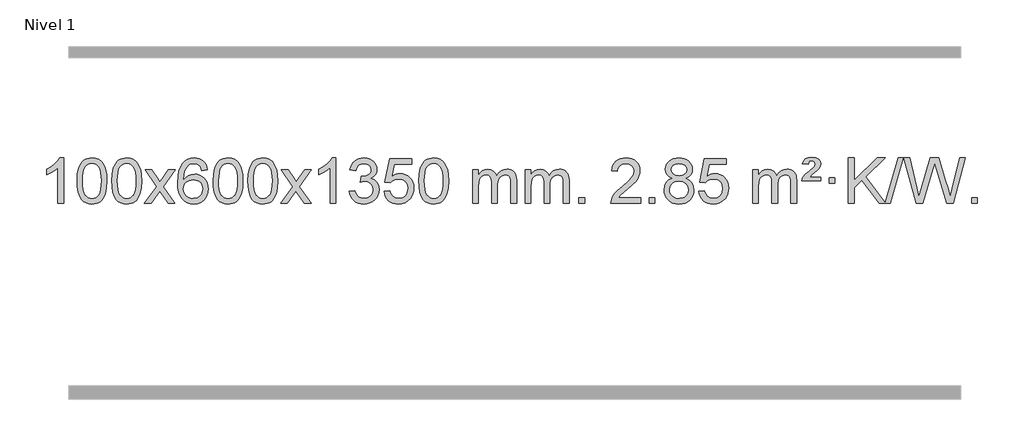
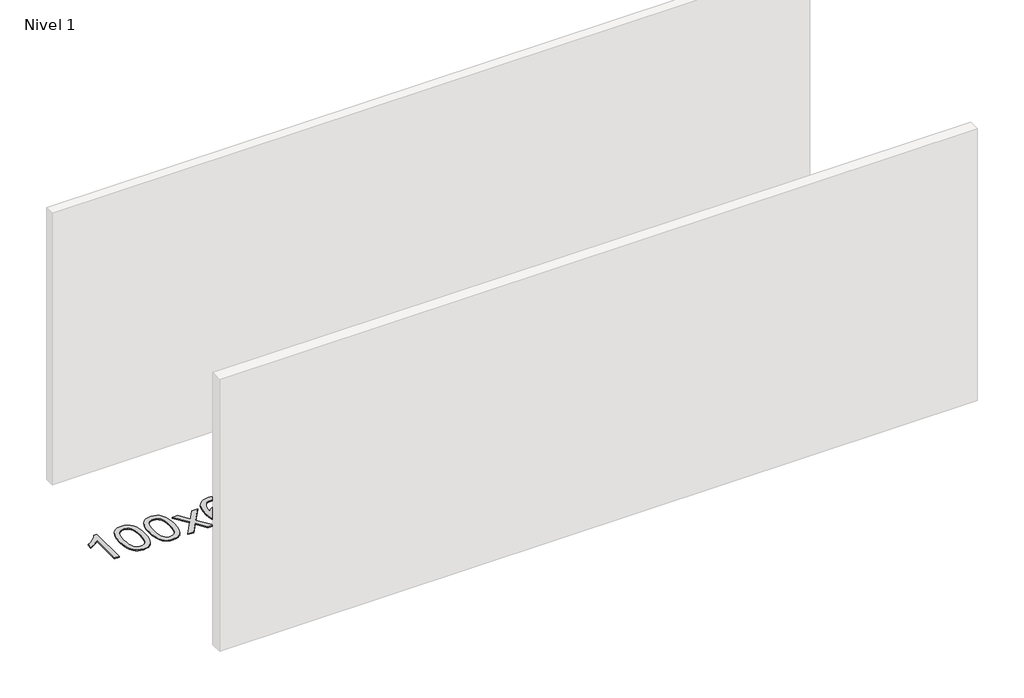
# One storey, part 4 of 9: 1 proxy.
"""IFC4 building model written with IfcOpenShell, lengths in millimetres."""

from ifc_helpers import new_model, si_unit, origin, origin_with_axes, place, context, project, spatial, polyline, outline, extrude, element, save

model = new_model("IFC4")

# Units and contexts
model_context = context("Model", 3, world=origin())
ifc_project = project(units=[si_unit("LENGTHUNIT", "METRE", prefix="MILLI")], contexts=[model_context])

# Site, building, storey
site = spatial("IfcSite", under=ifc_project)
building = spatial("IfcBuilding", under=site)
storey = spatial("IfcBuildingStorey", under=building, Name="Nivel 1", Elevation=0.0)

# Proxy
placement = place(None, origin())
element("IfcBuildingElementProxy", 1, Name="Texto de modelo 1", ObjectType="Texto de modelo 1", at=placement, inside=storey, context=model_context, shape_type="SweptSolid", body=[
    extrude(outline(polyline([(-6575.4615788, -12403.579453), (-6625.6897338, -12403.579453), (-6625.6897338, -12090.4382987), (-6646.6590076, -12107.3976587), (-6673.2691385, -12124.3324932), (-6726.146044, -12149.6918254), (-6726.146044, -12102.2105225), (-6686.6968314, -12080.7507395), (-6652.520594, -12055.219729), (-6625.5793692, -12028.0700378), (-6607.8351943, -12001.7542124), (-6575.4615788, -12001.7542124), (-6575.4615788, -12403.579453)])), origin_with_axes(), (0.0, 0.0, 1.0), 10.0),
    extrude(outline(polyline([(-6456.1697105, -12205.9041943), (-6452.4786278, -12141.5861588), (-6441.4053797, -12090.2911459), (-6423.0603309, -12051.2343407), (-6411.2022679, -12036.0009605), (-6397.5538459, -12023.6309284), (-6382.0690796, -12014.0598651), (-6364.7019837, -12007.2233914), (-6324.3208034, -12001.7542124), (-6293.3696649, -12004.991574), (-6265.6558879, -12014.7036586), (-6242.4793222, -12030.5103217), (-6225.1398175, -12052.0314184), (-6212.0432185, -12079.0830078), (-6201.5953698, -12111.4811488), (-6194.7527647, -12152.6226186), (-6192.4718963, -12205.9041943), (-6196.1261908, -12269.8543477), (-6207.0890743, -12321.0267333), (-6225.3237585, -12360.1203266), (-6237.1542303, -12375.3996922), (-6250.7934553, -12387.8341036), (-6266.2966157, -12397.4695462), (-6283.7188939, -12404.3520052), (-6324.3208034, -12409.8579724), (-6351.9855294, -12407.4667394), (-6376.5109958, -12400.2930405), (-6397.8972024, -12388.3368757), (-6416.1441494, -12371.5982449), (-6433.6553324, -12341.3399508), (-6446.1633202, -12303.6381776), (-6453.6681129, -12258.4929255), (-6456.1697105, -12205.9041943)]), holes=[polyline([(-6405.9415554, -12205.8060924), (-6404.4700274, -12249.4706195), (-6400.0554435, -12284.8148822), (-6392.6978036, -12311.8388804), (-6382.3971077, -12330.5426142), (-6369.9381708, -12343.2682656), (-6356.1058078, -12352.3580165), (-6340.9000186, -12357.8118671), (-6324.3208034, -12359.6298173), (-6307.7415881, -12357.8057357), (-6292.535799, -12352.3334911), (-6278.703436, -12343.2130833), (-6266.2444991, -12330.4445124), (-6255.9438032, -12311.7101217), (-6248.5861633, -12284.6922549), (-6244.1715794, -12249.3909118), (-6242.7000514, -12205.8060924), (-6244.1225284, -12163.2973278), (-6248.3899596, -12128.5753989), (-6255.5023448, -12101.6403055), (-6265.4596842, -12082.4920476), (-6277.7101546, -12069.1440625), (-6291.7019332, -12059.6097875), (-6307.4350198, -12053.8892225), (-6324.9094146, -12051.9823675), (-6341.4027907, -12053.6623619), (-6356.3510624, -12058.7023452), (-6369.7542298, -12067.1023175), (-6381.6122928, -12078.8622786), (-6392.2563452, -12099.708925), (-6399.8592397, -12127.8151094), (-6404.4209765, -12163.1808319), (-6405.9415554, -12205.8060924)])]), origin_with_axes(), (0.0, 0.0, 1.0), 10.0),
    extrude(outline(polyline([(-6148.5222606, -12205.9041943), (-6144.8311779, -12141.5861588), (-6133.7579299, -12090.2911459), (-6115.4128811, -12051.2343407), (-6103.5548181, -12036.0009605), (-6089.9063961, -12023.6309284), (-6074.4216298, -12014.0598651), (-6057.0545339, -12007.2233914), (-6016.6733536, -12001.7542124), (-5985.722215, -12004.991574), (-5958.0084381, -12014.7036586), (-5934.8318724, -12030.5103217), (-5917.4923677, -12052.0314184), (-5904.3957686, -12079.0830078), (-5893.94792, -12111.4811488), (-5887.1053149, -12152.6226186), (-5884.8244465, -12205.9041943), (-5888.478741, -12269.8543477), (-5899.4416244, -12321.0267333), (-5917.6763087, -12360.1203266), (-5929.5067805, -12375.3996922), (-5943.1460055, -12387.8341036), (-5958.6491659, -12397.4695462), (-5976.071444, -12404.3520052), (-6016.6733536, -12409.8579724), (-6044.3380796, -12407.4667394), (-6068.8635459, -12400.2930405), (-6090.2497526, -12388.3368757), (-6108.4966996, -12371.5982449), (-6126.0078825, -12341.3399508), (-6138.5158704, -12303.6381776), (-6146.0206631, -12258.4929255), (-6148.5222606, -12205.9041943)]), holes=[polyline([(-6098.2941056, -12205.8060924), (-6096.8225776, -12249.4706195), (-6092.4079936, -12284.8148822), (-6085.0503537, -12311.8388804), (-6074.7496579, -12330.5426142), (-6062.290721, -12343.2682656), (-6048.4583579, -12352.3580165), (-6033.2525688, -12357.8118671), (-6016.6733536, -12359.6298173), (-6000.0941383, -12357.8057357), (-5984.8883492, -12352.3334911), (-5971.0559862, -12343.2130833), (-5958.5970493, -12330.4445124), (-5948.2963534, -12311.7101217), (-5940.9387135, -12284.6922549), (-5936.5241295, -12249.3909118), (-5935.0526016, -12205.8060924), (-5936.4750786, -12163.2973278), (-5940.7425098, -12128.5753989), (-5947.854895, -12101.6403055), (-5957.8122343, -12082.4920476), (-5970.0627048, -12069.1440625), (-5984.0544833, -12059.6097875), (-5999.78757, -12053.8892225), (-6017.2619648, -12051.9823675), (-6033.7553409, -12053.6623619), (-6048.7036126, -12058.7023452), (-6062.10678, -12067.1023175), (-6073.9648429, -12078.8622786), (-6084.6088953, -12099.708925), (-6092.2117899, -12127.8151094), (-6096.7735266, -12163.1808319), (-6098.2941056, -12205.8060924)])]), origin_with_axes(), (0.0, 0.0, 1.0), 10.0),
    extrude(outline(polyline([(-5859.7103689, -12403.579453), (-5752.3869282, -12255.1513307), (-5853.4318496, -12108.4890419), (-5793.1973042, -12108.4890419), (-5744.4406771, -12179.2204869), (-5721.5829425, -12212.4770192), (-5701.7663657, -12185.2047007), (-5646.2407099, -12108.4890419), (-5585.8099608, -12108.4890419), (-5691.9561791, -12255.2494325), (-5589.7340354, -12403.579453), (-5650.0666826, -12403.579453), (-5711.6746541, -12314.3067555), (-5722.8582667, -12297.923744), (-5799.2796199, -12403.579453), (-5859.7103689, -12403.579453)])), origin_with_axes(), (0.0, 0.0, 1.0), 10.0),
    extrude(outline(polyline([(-5300.9221437, -12108.4890419), (-5351.1502988, -12114.7675613), (-5359.2437027, -12089.874213), (-5370.1820607, -12072.8780648), (-5392.9662189, -12057.2062918), (-5420.5083176, -12051.9823675), (-5443.8565616, -12055.0235253), (-5465.8313794, -12064.1469988), (-5484.7037258, -12083.3627017), (-5500.1179814, -12109.8134171), (-5510.5290419, -12147.227016), (-5514.3918028, -12199.3313693), (-5494.2441322, -12175.8237098), (-5470.0988106, -12159.2567573), (-5443.3047386, -12149.434308), (-5415.2108169, -12146.1601582), (-5391.077758, -12148.398107), (-5368.8086346, -12155.1119534), (-5348.4034466, -12166.3016975), (-5329.862194, -12181.9673391), (-5314.4540698, -12201.1769106), (-5303.4482668, -12222.9984443), (-5296.844785, -12247.4319401), (-5294.6436244, -12274.4773982), (-5298.7884282, -12310.4439945), (-5311.2228396, -12343.786366), (-5330.9167891, -12372.0642287), (-5356.840207, -12392.8372987), (-5387.815871, -12405.602804), (-5422.6665587, -12409.8579724), (-5452.6090874, -12407.0375437), (-5479.6514797, -12398.5762579), (-5503.7937357, -12384.4741147), (-5525.0358552, -12364.7311143), (-5542.3539001, -12338.5133908), (-5554.7239322, -12304.9870783), (-5562.1459515, -12264.1521768), (-5564.6199579, -12216.0086864), (-5561.8731057, -12162.0342663), (-5553.632549, -12115.9693092), (-5539.8982878, -12077.8138149), (-5520.6703222, -12047.5677835), (-5499.8298072, -12027.5243462), (-5475.6660915, -12013.2076052), (-5448.179175, -12004.6175606), (-5417.3690579, -12001.7542124), (-5394.2354118, -12003.5261773), (-5373.2967949, -12008.8420722), (-5354.5532073, -12017.7018969), (-5338.0046489, -12030.1056515), (-5324.0987094, -12045.6364031), (-5313.2829788, -12063.8772186), (-5305.5574569, -12084.8280983), (-5300.9221437, -12108.4890419)]), holes=[polyline([(-5514.3918028, -12273.6925832), (-5511.485535, -12295.9494439), (-5502.7667318, -12317.2007605), (-5489.2286743, -12335.472233), (-5471.8646442, -12348.7895612), (-5450.9076332, -12356.9197533), (-5426.5906333, -12359.6298173), (-5393.4444655, -12354.0134855), (-5379.5293291, -12346.9930708), (-5367.3861575, -12337.1644901), (-5357.5361171, -12324.9262824), (-5350.500374, -12310.6769865), (-5344.8717794, -12276.1451299), (-5350.4267976, -12242.9989621), (-5357.3705702, -12229.3781312), (-5367.0918519, -12217.725469), (-5379.2718117, -12208.3904634), (-5393.5916183, -12201.7226022), (-5428.6507725, -12196.3883133), (-5461.7478893, -12201.7226022), (-5489.4248781, -12217.725469), (-5500.3479076, -12229.2248471), (-5508.1500716, -12242.3858254), (-5512.83137, -12257.2084042), (-5514.3918028, -12273.6925832)])]), origin_with_axes(), (0.0, 0.0, 1.0), 10.0),
    extrude(outline(polyline([(-5250.6939887, -12205.9041943), (-5247.002906, -12141.5861588), (-5235.9296579, -12090.2911459), (-5217.5846091, -12051.2343407), (-5205.7265461, -12036.0009605), (-5192.0781241, -12023.6309284), (-5176.5933578, -12014.0598651), (-5159.2262619, -12007.2233914), (-5118.8450816, -12001.7542124), (-5087.8939431, -12004.991574), (-5060.1801661, -12014.7036586), (-5037.0036004, -12030.5103217), (-5019.6640957, -12052.0314184), (-5006.5674967, -12079.0830078), (-4996.119648, -12111.4811488), (-4989.2770429, -12152.6226186), (-4986.9961745, -12205.9041943), (-4990.650469, -12269.8543477), (-5001.6133525, -12321.0267333), (-5019.8480367, -12360.1203266), (-5031.6785085, -12375.3996922), (-5045.3177335, -12387.8341036), (-5060.8208939, -12397.4695462), (-5078.2431721, -12404.3520052), (-5118.8450816, -12409.8579724), (-5146.5098076, -12407.4667394), (-5171.035274, -12400.2930405), (-5192.4214806, -12388.3368757), (-5210.6684276, -12371.5982449), (-5228.1796106, -12341.3399508), (-5240.6875984, -12303.6381776), (-5248.1923911, -12258.4929255), (-5250.6939887, -12205.9041943)]), holes=[polyline([(-5200.4658336, -12205.8060924), (-5198.9943056, -12249.4706195), (-5194.5797217, -12284.8148822), (-5187.2220818, -12311.8388804), (-5176.9213859, -12330.5426142), (-5164.462449, -12343.2682656), (-5150.630086, -12352.3580165), (-5135.4242968, -12357.8118671), (-5118.8450816, -12359.6298173), (-5102.2658663, -12357.8057357), (-5087.0600772, -12352.3334911), (-5073.2277142, -12343.2130833), (-5060.7687773, -12330.4445124), (-5050.4680814, -12311.7101217), (-5043.1104415, -12284.6922549), (-5038.6958576, -12249.3909118), (-5037.2243296, -12205.8060924), (-5038.6468066, -12163.2973278), (-5042.9142378, -12128.5753989), (-5050.026623, -12101.6403055), (-5059.9839624, -12082.4920476), (-5072.2344328, -12069.1440625), (-5086.2262114, -12059.6097875), (-5101.959298, -12053.8892225), (-5119.4336928, -12051.9823675), (-5135.9270689, -12053.6623619), (-5150.8753406, -12058.7023452), (-5164.278508, -12067.1023175), (-5176.136571, -12078.8622786), (-5186.7806234, -12099.708925), (-5194.3835179, -12127.8151094), (-5198.9452547, -12163.1808319), (-5200.4658336, -12205.8060924)])]), origin_with_axes(), (0.0, 0.0, 1.0), 10.0),
    extrude(outline(polyline([(-4943.0465388, -12205.9041943), (-4939.3554561, -12141.5861588), (-4928.2822081, -12090.2911459), (-4909.9371593, -12051.2343407), (-4898.0790963, -12036.0009605), (-4884.4306743, -12023.6309284), (-4868.945908, -12014.0598651), (-4851.5788121, -12007.2233914), (-4811.1976318, -12001.7542124), (-4780.2464932, -12004.991574), (-4752.5327163, -12014.7036586), (-4729.3561506, -12030.5103217), (-4712.0166459, -12052.0314184), (-4698.9200468, -12079.0830078), (-4688.4721982, -12111.4811488), (-4681.6295931, -12152.6226186), (-4679.3487247, -12205.9041943), (-4683.0030192, -12269.8543477), (-4693.9659026, -12321.0267333), (-4712.2005869, -12360.1203266), (-4724.0310587, -12375.3996922), (-4737.6702837, -12387.8341036), (-4753.1734441, -12397.4695462), (-4770.5957222, -12404.3520052), (-4811.1976318, -12409.8579724), (-4838.8623578, -12407.4667394), (-4863.3878241, -12400.2930405), (-4884.7740308, -12388.3368757), (-4903.0209778, -12371.5982449), (-4920.5321607, -12341.3399508), (-4933.0401486, -12303.6381776), (-4940.5449413, -12258.4929255), (-4943.0465388, -12205.9041943)]), holes=[polyline([(-4892.8183838, -12205.8060924), (-4891.3468558, -12249.4706195), (-4886.9322718, -12284.8148822), (-4879.5746319, -12311.8388804), (-4869.2739361, -12330.5426142), (-4856.8149992, -12343.2682656), (-4842.9826361, -12352.3580165), (-4827.776847, -12357.8118671), (-4811.1976318, -12359.6298173), (-4794.6184165, -12357.8057357), (-4779.4126274, -12352.3334911), (-4765.5802644, -12343.2130833), (-4753.1213275, -12330.4445124), (-4742.8206316, -12311.7101217), (-4735.4629917, -12284.6922549), (-4731.0484077, -12249.3909118), (-4729.5768798, -12205.8060924), (-4730.9993568, -12163.2973278), (-4735.266788, -12128.5753989), (-4742.3791732, -12101.6403055), (-4752.3365125, -12082.4920476), (-4764.586983, -12069.1440625), (-4778.5787615, -12059.6097875), (-4794.3118482, -12053.8892225), (-4811.786243, -12051.9823675), (-4828.2796191, -12053.6623619), (-4843.2278908, -12058.7023452), (-4856.6310582, -12067.1023175), (-4868.4891211, -12078.8622786), (-4879.1331735, -12099.708925), (-4886.7360681, -12127.8151094), (-4891.2978048, -12163.1808319), (-4892.8183838, -12205.8060924)])]), origin_with_axes(), (0.0, 0.0, 1.0), 10.0),
    extrude(outline(polyline([(-4654.2346472, -12403.579453), (-4546.9112064, -12255.1513307), (-4647.9561278, -12108.4890419), (-4587.7215824, -12108.4890419), (-4538.9649553, -12179.2204869), (-4516.1072207, -12212.4770192), (-4496.2906439, -12185.2047007), (-4440.7649881, -12108.4890419), (-4380.334239, -12108.4890419), (-4486.4804574, -12255.2494325), (-4384.2583136, -12403.579453), (-4444.5909608, -12403.579453), (-4506.1989323, -12314.3067555), (-4517.3825449, -12297.923744), (-4593.8038981, -12403.579453), (-4654.2346472, -12403.579453)])), origin_with_axes(), (0.0, 0.0, 1.0), 10.0),
    extrude(outline(polyline([(-4164.5101352, -12403.579453), (-4214.7382902, -12403.579453), (-4214.7382902, -12090.4382987), (-4235.707564, -12107.3976587), (-4262.317695, -12124.3324932), (-4315.1946004, -12149.6918254), (-4315.1946004, -12102.2105225), (-4275.7453878, -12080.7507395), (-4241.5691504, -12055.219729), (-4214.6279257, -12028.0700378), (-4196.8837508, -12001.7542124), (-4164.5101352, -12001.7542124), (-4164.5101352, -12403.579453)])), origin_with_axes(), (0.0, 0.0, 1.0), 10.0),
    extrude(outline(polyline([(-4045.2182669, -12296.8446235), (-3994.9901118, -12290.5661041), (-3983.7451855, -12322.1303793), (-3967.2763348, -12343.4430095), (-3944.7742195, -12355.5831154), (-3915.429499, -12359.6298173), (-3880.9957442, -12354.0625364), (-3866.7219228, -12347.1034354), (-3854.4101387, -12337.3606939), (-3837.4139905, -12312.4428201), (-3831.7486078, -12282.2274455), (-3837.3649396, -12253.5449126), (-3854.213935, -12230.2825078), (-3879.72042, -12214.8682522), (-3911.3092206, -12209.730167), (-3946.5277903, -12215.2238715), (-3940.935984, -12164.9957164), (-3932.891631, -12165.5843276), (-3902.7988838, -12161.979084), (-3875.8944472, -12151.1633534), (-3864.8211992, -12142.9841103), (-3856.9117363, -12132.8673555), (-3852.1660585, -12120.8130888), (-3850.584166, -12106.8213102), (-3855.1704282, -12085.1285352), (-3868.9292148, -12067.5315131), (-3889.923014, -12055.8696539), (-3916.2143139, -12051.9823675), (-3942.5546648, -12055.9064421), (-3964.0880242, -12067.6786659), (-3979.8088481, -12087.299039), (-3988.7115924, -12114.7675613), (-4038.9397475, -12108.4890419), (-4032.9861905, -12084.5092672), (-4024.1508913, -12063.3867093), (-4012.4338497, -12045.1213683), (-3997.8350659, -12029.713244), (-3980.8143922, -12017.4811677), (-3961.8316813, -12008.7439703), (-3940.886933, -12003.5016519), (-3917.9801475, -12001.7542124), (-3886.4036096, -12005.2000404), (-3857.4022456, -12015.5375245), (-3832.9503557, -12031.8469596), (-3815.0222398, -12053.2086408), (-3804.0225681, -12077.8199463), (-3800.3560109, -12103.8782543), (-3803.8386271, -12128.1584659), (-3814.2864758, -12150.1823347), (-3831.5524041, -12168.9443165), (-3855.4892592, -12183.4388671), (-3824.0476114, -12196.1430586), (-3800.7484183, -12217.77452), (-3786.3274441, -12247.1560286), (-3781.5204527, -12283.1103623), (-3783.9239484, -12308.5923218), (-3791.1344355, -12332.0631931), (-3803.151914, -12353.5229762), (-3819.976384, -12372.971671), (-3840.4735425, -12389.1094278), (-3863.5090867, -12400.636397), (-3889.0830168, -12407.5525785), (-3917.1953326, -12409.8579724), (-3942.6037157, -12407.8898037), (-3965.7557559, -12401.9852977), (-3986.6514532, -12392.1444543), (-4005.2908077, -12378.3672736), (-4020.9196611, -12361.4630959), (-4032.7838554, -12342.2412617), (-4040.8833907, -12320.7017708), (-4045.2182669, -12296.8446235)])), origin_with_axes(), (0.0, 0.0, 1.0), 10.0),
    extrude(outline(polyline([(-3737.570817, -12296.8446235), (-3687.342662, -12290.5661041), (-3678.1210866, -12320.7201649), (-3662.0323807, -12342.3148381), (-3639.1501206, -12355.3010725), (-3609.5478827, -12359.6298173), (-3590.418019, -12358.1245668), (-3573.5444981, -12353.6088153), (-3558.9273202, -12346.0825628), (-3546.5664851, -12335.5458094), (-3536.7379045, -12322.519721), (-3529.7174898, -12307.5254641), (-3524.101158, -12271.6324441), (-3529.3618705, -12237.8363514), (-3535.9377612, -12223.9181493), (-3545.1440081, -12211.9865099), (-3557.0112681, -12202.4154467), (-3571.5701981, -12195.5789729), (-3608.7630678, -12190.1097939), (-3633.1291186, -12192.2925604), (-3652.8598563, -12198.8408599), (-3668.6174684, -12208.8717757), (-3681.0641426, -12221.5023908), (-3731.2922977, -12215.2238715), (-3687.342662, -12008.0327318), (-3492.708561, -12008.0327318), (-3492.708561, -12058.2608869), (-3646.7284897, -12058.2608869), (-3668.3109001, -12168.919791), (-3650.5851193, -12156.2155994), (-3632.4301428, -12147.1411769), (-3613.8459707, -12141.6965234), (-3594.8326029, -12139.8816388), (-3570.3684502, -12142.1318504), (-3547.8908603, -12148.882485), (-3527.3998332, -12160.1335427), (-3508.8953688, -12175.8850234), (-3493.5730837, -12195.1743027), (-3482.6285944, -12217.038756), (-3476.0619008, -12241.4783832), (-3473.8730029, -12268.4931844), (-3475.8411716, -12294.5147042), (-3481.7456776, -12318.7213394), (-3491.586521, -12341.1130902), (-3505.3637017, -12361.6899565), (-3526.2348735, -12382.7634634), (-3550.5886616, -12397.8159684), (-3578.4250659, -12406.8474714), (-3609.7440864, -12409.8579724), (-3635.6644387, -12407.9235262), (-3659.077062, -12402.1201877), (-3679.9819564, -12392.447957), (-3698.3791218, -12378.9068338), (-3713.6860785, -12362.1712688), (-3725.3203466, -12342.915712), (-3733.2819261, -12321.1401636), (-3737.570817, -12296.8446235)])), origin_with_axes(), (0.0, 0.0, 1.0), 10.0),
    extrude(outline(polyline([(-3429.9233672, -12205.9041943), (-3426.2322845, -12141.5861588), (-3415.1590365, -12090.2911459), (-3396.8139876, -12051.2343407), (-3384.9559247, -12036.0009605), (-3371.3075026, -12023.6309284), (-3355.8227363, -12014.0598651), (-3338.4556405, -12007.2233914), (-3298.0744601, -12001.7542124), (-3267.1233216, -12004.991574), (-3239.4095446, -12014.7036586), (-3216.2329789, -12030.5103217), (-3198.8934742, -12052.0314184), (-3185.7968752, -12079.0830078), (-3175.3490265, -12111.4811488), (-3168.5064214, -12152.6226186), (-3166.2255531, -12205.9041943), (-3169.8798475, -12269.8543477), (-3180.842731, -12321.0267333), (-3199.0774152, -12360.1203266), (-3210.9078871, -12375.3996922), (-3224.547112, -12387.8341036), (-3240.0502724, -12397.4695462), (-3257.4725506, -12404.3520052), (-3298.0744601, -12409.8579724), (-3325.7391862, -12407.4667394), (-3350.2646525, -12400.2930405), (-3371.6508592, -12388.3368757), (-3389.8978061, -12371.5982449), (-3407.4089891, -12341.3399508), (-3419.9169769, -12303.6381776), (-3427.4217696, -12258.4929255), (-3429.9233672, -12205.9041943)]), holes=[polyline([(-3379.6952121, -12205.8060924), (-3378.2236842, -12249.4706195), (-3373.8091002, -12284.8148822), (-3366.4514603, -12311.8388804), (-3356.1507644, -12330.5426142), (-3343.6918275, -12343.2682656), (-3329.8594645, -12352.3580165), (-3314.6536754, -12357.8118671), (-3298.0744601, -12359.6298173), (-3281.4952449, -12357.8057357), (-3266.2894558, -12352.3334911), (-3252.4570927, -12343.2130833), (-3239.9981558, -12330.4445124), (-3229.69746, -12311.7101217), (-3222.3398201, -12284.6922549), (-3217.9252361, -12249.3909118), (-3216.4537081, -12205.8060924), (-3217.8761852, -12163.2973278), (-3222.1436163, -12128.5753989), (-3229.2560016, -12101.6403055), (-3239.2133409, -12082.4920476), (-3251.4638113, -12069.1440625), (-3265.4555899, -12059.6097875), (-3281.1886766, -12053.8892225), (-3298.6630713, -12051.9823675), (-3315.1564474, -12053.6623619), (-3330.1047192, -12058.7023452), (-3343.5078865, -12067.1023175), (-3355.3659495, -12078.8622786), (-3366.0100019, -12099.708925), (-3373.6128965, -12127.8151094), (-3378.1746332, -12163.1808319), (-3379.6952121, -12205.8060924)])]), origin_with_axes(), (0.0, 0.0, 1.0), 10.0),
    extrude(outline(polyline([(-2952.755894, -12403.579453), (-2952.755894, -12108.4890419), (-2902.5277389, -12108.4890419), (-2902.5277389, -12157.0494653), (-2887.4200517, -12134.7435537), (-2867.9958823, -12117.2691589), (-2844.9174185, -12105.9751816), (-2818.8468478, -12102.2105225), (-2790.9123416, -12106.048758), (-2768.5205908, -12117.5634645), (-2751.7942228, -12135.9943524), (-2740.8558648, -12160.5811324), (-2722.5476041, -12135.0439906), (-2701.6641696, -12116.803175), (-2678.205561, -12105.8586857), (-2652.1717785, -12102.2105225), (-2632.0639617, -12103.7280358), (-2614.414823, -12108.2805755), (-2599.2243623, -12115.8681416), (-2586.4925796, -12126.4907342), (-2576.4279413, -12140.2709806), (-2569.238914, -12157.3315082), (-2564.9254976, -12177.6723168), (-2563.4876922, -12201.2934066), (-2563.4876922, -12403.579453), (-2613.7158472, -12403.579453), (-2613.7158472, -12222.875817), (-2614.8808069, -12197.8230531), (-2618.3756858, -12180.9372695), (-2624.9239854, -12169.3735121), (-2635.2492067, -12160.2868268), (-2648.5297467, -12154.4007149), (-2663.9440023, -12152.4386776), (-2691.1550072, -12157.4663982), (-2713.3382915, -12172.54956), (-2721.9436645, -12184.1194488), (-2728.0903595, -12198.7182326), (-2733.0077155, -12237.0024856), (-2733.0077155, -12403.579453), (-2783.2358706, -12403.579453), (-2783.2358706, -12217.2840106), (-2786.1421384, -12188.8835206), (-2794.8609417, -12168.6254854), (-2810.2016209, -12156.4853796), (-2832.9735164, -12152.4386776), (-2852.3241093, -12155.1364789), (-2870.1541233, -12163.2298828), (-2884.8694032, -12176.5226856), (-2894.8757934, -12194.8186835), (-2900.6147525, -12220.2025411), (-2902.5277389, -12254.7589232), (-2902.5277389, -12403.579453), (-2952.755894, -12403.579453)])), origin_with_axes(), (0.0, 0.0, 1.0), 10.0),
    extrude(outline(polyline([(-2488.1454596, -12403.579453), (-2488.1454596, -12108.4890419), (-2437.9173045, -12108.4890419), (-2437.9173045, -12157.0494653), (-2422.8096172, -12134.7435537), (-2403.3854479, -12117.2691589), (-2380.306984, -12105.9751816), (-2354.2364133, -12102.2105225), (-2326.3019071, -12106.048758), (-2303.9101564, -12117.5634645), (-2287.1837883, -12135.9943524), (-2276.2454303, -12160.5811324), (-2257.9371697, -12135.0439906), (-2237.0537351, -12116.803175), (-2213.5951266, -12105.8586857), (-2187.561344, -12102.2105225), (-2167.4535273, -12103.7280358), (-2149.8043886, -12108.2805755), (-2134.6139279, -12115.8681416), (-2121.8821452, -12126.4907342), (-2111.8175069, -12140.2709806), (-2104.6284796, -12157.3315082), (-2100.3150632, -12177.6723168), (-2098.8772577, -12201.2934066), (-2098.8772577, -12403.579453), (-2149.1054128, -12403.579453), (-2149.1054128, -12222.875817), (-2150.2703724, -12197.8230531), (-2153.7652514, -12180.9372695), (-2160.3135509, -12169.3735121), (-2170.6387722, -12160.2868268), (-2183.9193123, -12154.4007149), (-2199.3335679, -12152.4386776), (-2226.5445728, -12157.4663982), (-2248.7278571, -12172.54956), (-2257.3332301, -12184.1194488), (-2263.4799251, -12198.7182326), (-2268.3972811, -12237.0024856), (-2268.3972811, -12403.579453), (-2318.6254362, -12403.579453), (-2318.6254362, -12217.2840106), (-2321.5317039, -12188.8835206), (-2330.2505072, -12168.6254854), (-2345.5911864, -12156.4853796), (-2368.3630819, -12152.4386776), (-2387.7136749, -12155.1364789), (-2405.5436889, -12163.2298828), (-2420.2589687, -12176.5226856), (-2430.265359, -12194.8186835), (-2436.0043181, -12220.2025411), (-2437.9173045, -12254.7589232), (-2437.9173045, -12403.579453), (-2488.1454596, -12403.579453)])), origin_with_axes(), (0.0, 0.0, 1.0), 10.0),
    extrude(outline(polyline([(-2010.9779863, -12403.579453), (-2010.9779863, -12353.3512979), (-1960.7498313, -12353.3512979), (-1960.7498313, -12403.579453), (-2010.9779863, -12403.579453)])), origin_with_axes(), (0.0, 0.0, 1.0), 10.0),
    extrude(outline(polyline([(-1464.7467999, -12353.3512979), (-1464.7467999, -12403.579453), (-1728.444614, -12403.579453), (-1727.3409681, -12385.8965918), (-1723.0490115, -12368.9494945), (-1710.6513882, -12341.8856424), (-1692.4902804, -12315.6311307), (-1666.2357687, -12288.1503456), (-1629.5579337, -12257.4076736), (-1575.3689159, -12209.2641831), (-1542.8849357, -12173.7267824), (-1526.6613397, -12144.884834), (-1521.2534744, -12116.8277005), (-1526.3670341, -12091.6768347), (-1541.7077133, -12070.7688747), (-1565.2889492, -12056.6789943), (-1595.124179, -12051.9823675), (-1626.4554623, -12056.5686297), (-1650.7969876, -12070.3274163), (-1666.5055488, -12092.1796068), (-1671.9379396, -12121.0460807), (-1722.1660947, -12114.7675613), (-1717.8465469, -12088.838012), (-1709.9892006, -12066.1826125), (-1698.5940558, -12046.8013627), (-1683.6611125, -12030.6942627), (-1665.5337272, -12018.0329907), (-1644.5552564, -12008.989225), (-1620.7257002, -12003.5629655), (-1594.0450585, -12001.7542124), (-1567.1252935, -12003.7653006), (-1543.1669785, -12009.7985654), (-1522.1701137, -12019.8540066), (-1504.1346989, -12033.9316242), (-1489.6493453, -12050.9890861), (-1479.3026642, -12069.9840598), (-1473.0946555, -12090.9165453), (-1471.0253193, -12113.7865427), (-1473.2571367, -12137.8092369), (-1479.952589, -12161.4149983), (-1491.8351775, -12185.4254299), (-1509.6284033, -12210.6621347), (-1537.9921051, -12240.7916701), (-1581.5861216, -12279.4805933), (-1639.3681203, -12327.795762), (-1662.0296512, -12353.3512979), (-1464.7467999, -12353.3512979)])), origin_with_axes(), (0.0, 0.0, 1.0), 10.0),
    extrude(outline(polyline([(-1389.4045673, -12403.579453), (-1389.4045673, -12353.3512979), (-1339.1764122, -12353.3512979), (-1339.1764122, -12403.579453), (-1389.4045673, -12403.579453)])), origin_with_axes(), (0.0, 0.0, 1.0), 10.0),
    extrude(outline(polyline([(-1184.3716686, -12182.2616447), (-1211.2638425, -12169.0178929), (-1230.1361888, -12151.0652515), (-1241.2830133, -12128.7716026), (-1244.9986215, -12102.5048281), (-1242.9752705, -12082.0199324), (-1236.9052176, -12063.2395565), (-1226.7884627, -12046.1637006), (-1212.6250059, -12030.7923645), (-1195.0954288, -12018.088173), (-1174.8803132, -12009.0137504), (-1151.979659, -12003.5690969), (-1126.3934662, -12001.7542124), (-1100.6846461, -12003.6120165), (-1077.6123136, -12009.1854287), (-1057.1764688, -12018.4744491), (-1039.3771116, -12031.4790776), (-1024.9561374, -12047.1508506), (-1014.6554415, -12064.4413044), (-1008.475024, -12083.3504389), (-1006.4148848, -12103.8782543), (-1010.0814421, -12129.2989001), (-1021.0811137, -12151.2124043), (-1039.5365271, -12169.0546811), (-1065.5703097, -12182.2616447), (-1034.6559593, -12198.1909351), (-1012.153844, -12221.6495436), (-998.4318456, -12251.5092989), (-993.8578461, -12286.6420295), (-996.1264517, -12311.6947933), (-1002.9322686, -12334.6628926), (-1014.2752968, -12355.5463272), (-1030.1555363, -12374.3450971), (-1049.7391211, -12389.88198), (-1072.1921856, -12400.9797536), (-1097.5147296, -12407.6384177), (-1125.7067531, -12409.8579724), (-1153.8987767, -12407.6292206), (-1179.2213207, -12400.9429654), (-1201.6743852, -12389.7992066), (-1221.25797, -12374.1979443), (-1237.1382095, -12355.26735), (-1248.4812377, -12334.135595), (-1255.2870546, -12310.8026795), (-1257.5556602, -12285.2686033), (-1252.7977197, -12248.7747094), (-1238.5238983, -12218.7555386), (-1215.46996, -12196.2411605), (-1184.3716686, -12182.2616447)]), holes=[polyline([(-1194.7704664, -12103.9763561), (-1190.3190942, -12125.902123), (-1176.9649778, -12143.413306), (-1155.1005246, -12154.8912243), (-1125.118142, -12158.717197), (-1095.8347351, -12154.9157497), (-1074.3013757, -12143.5114079), (-1061.0576239, -12126.5888361), (-1056.6430399, -12106.232699), (-1061.2047767, -12085.1040098), (-1074.8899869, -12067.629615), (-1096.7176519, -12055.8941794), (-1125.7067531, -12051.9823675), (-1154.8797954, -12055.8083402), (-1176.6706722, -12067.2862585), (-1190.2455178, -12084.1107284), (-1194.7704664, -12103.9763561)]), polyline([(-1207.3275051, -12283.5027698), (-1205.2305778, -12302.7184726), (-1198.9397957, -12321.3210389), (-1187.3269873, -12337.5446349), (-1169.2639814, -12349.623427), (-1147.6325201, -12357.1282197), (-1125.3143457, -12359.6298173), (-1091.1258456, -12354.3691048), (-1077.2321689, -12347.7932141), (-1065.4722078, -12338.5869672), (-1049.4325528, -12314.6869002), (-1044.0860012, -12285.0723996), (-1049.6042311, -12254.9551269), (-1066.1589209, -12230.5277625), (-1078.237713, -12221.0854579), (-1092.4011699, -12214.3409547), (-1126.9820774, -12208.9453521), (-1160.6923309, -12214.2673783), (-1174.4296577, -12220.919911), (-1186.0884513, -12230.2334569), (-1202.0177417, -12254.1948375), (-1207.3275051, -12283.5027698)])]), origin_with_axes(), (0.0, 0.0, 1.0), 10.0),
    extrude(outline(polyline([(-949.9082104, -12296.8446235), (-899.6800553, -12290.5661041), (-890.45848, -12320.7201649), (-874.369774, -12342.3148381), (-851.4875139, -12355.3010725), (-821.8852761, -12359.6298173), (-802.7554123, -12358.1245668), (-785.8818915, -12353.6088153), (-771.2647135, -12346.0825628), (-758.9038785, -12335.5458094), (-749.0752979, -12322.519721), (-742.0548831, -12307.5254641), (-736.4385513, -12271.6324441), (-741.6992639, -12237.8363514), (-748.2751545, -12223.9181493), (-757.4814014, -12211.9865099), (-769.3486615, -12202.4154467), (-783.9075914, -12195.5789729), (-821.1004611, -12190.1097939), (-845.466512, -12192.2925604), (-865.1972496, -12198.8408599), (-880.9548618, -12208.8717757), (-893.4015359, -12221.5023908), (-943.629691, -12215.2238715), (-899.6800553, -12008.0327318), (-705.0459544, -12008.0327318), (-705.0459544, -12058.2608869), (-859.065883, -12058.2608869), (-880.6482934, -12168.919791), (-862.9225126, -12156.2155994), (-844.7675362, -12147.1411769), (-826.183364, -12141.6965234), (-807.1699963, -12139.8816388), (-782.7058436, -12142.1318504), (-760.2282537, -12148.882485), (-739.7372265, -12160.1335427), (-721.2327622, -12175.8850234), (-705.9104771, -12195.1743027), (-694.9659877, -12217.038756), (-688.3992941, -12241.4783832), (-686.2103962, -12268.4931844), (-688.1785649, -12294.5147042), (-694.0830709, -12318.7213394), (-703.9239143, -12341.1130902), (-717.701095, -12361.6899565), (-738.5722669, -12382.7634634), (-762.926055, -12397.8159684), (-790.7624593, -12406.8474714), (-822.0814798, -12409.8579724), (-848.001832, -12407.9235262), (-871.4144553, -12402.1201877), (-892.3193497, -12392.447957), (-910.7165152, -12378.9068338), (-926.0234719, -12362.1712688), (-937.6577399, -12342.915712), (-945.6193195, -12321.1401636), (-949.9082104, -12296.8446235)])), origin_with_axes(), (0.0, 0.0, 1.0), 10.0),
    extrude(outline(polyline([(-472.7407372, -12403.579453), (-472.7407372, -12108.4890419), (-422.5125821, -12108.4890419), (-422.5125821, -12157.0494653), (-407.4048948, -12134.7435537), (-387.9807255, -12117.2691589), (-364.9022617, -12105.9751816), (-338.8316909, -12102.2105225), (-310.8971848, -12106.048758), (-288.505434, -12117.5634645), (-271.7790659, -12135.9943524), (-260.840708, -12160.5811324), (-242.5324473, -12135.0439906), (-221.6490127, -12116.803175), (-198.1904042, -12105.8586857), (-172.1566217, -12102.2105225), (-152.0488049, -12103.7280358), (-134.3996662, -12108.2805755), (-119.2092055, -12115.8681416), (-106.4774228, -12126.4907342), (-96.4127845, -12140.2709806), (-89.2237572, -12157.3315082), (-84.9103408, -12177.6723168), (-83.4725353, -12201.2934066), (-83.4725353, -12403.579453), (-133.7006904, -12403.579453), (-133.7006904, -12222.875817), (-134.8656501, -12197.8230531), (-138.360529, -12180.9372695), (-144.9088285, -12169.3735121), (-155.2340499, -12160.2868268), (-168.5145899, -12154.4007149), (-183.9288455, -12152.4386776), (-211.1398504, -12157.4663982), (-233.3231347, -12172.54956), (-241.9285077, -12184.1194488), (-248.0752027, -12198.7182326), (-252.9925587, -12237.0024856), (-252.9925587, -12403.579453), (-303.2207138, -12403.579453), (-303.2207138, -12217.2840106), (-306.1269816, -12188.8835206), (-314.8457848, -12168.6254854), (-330.186464, -12156.4853796), (-352.9583595, -12152.4386776), (-372.3089525, -12155.1364789), (-390.1389665, -12163.2298828), (-404.8542463, -12176.5226856), (-414.8606366, -12194.8186835), (-420.5995957, -12220.2025411), (-422.5125821, -12254.7589232), (-422.5125821, -12403.579453), (-472.7407372, -12403.579453)])), origin_with_axes(), (0.0, 0.0, 1.0), 10.0),
    extrude(outline(polyline([(-39.5228997, -12202.6668327), (-35.6969269, -12186.8479069), (-27.3582683, -12170.9799302), (-5.8494344, -12145.8413272), (26.1072483, -12118.1030247), (70.2530877, -12080.726214), (77.3899984, -12069.1992448), (79.7689686, -12057.3779701), (77.8805077, -12045.2869152), (72.215125, -12035.5012541), (62.8463969, -12029.026531), (49.8478997, -12026.8682899), (37.4134883, -12028.4869707), (28.5597949, -12033.343013), (22.1341227, -12042.8098431), (16.9837748, -12058.2608869), (-33.2443803, -12051.9823675), (-22.4041241, -12026.7701881), (-5.775858, -12009.2099542), (17.9893189, -11998.9092583), (50.2403072, -11995.475693), (86.0229626, -11999.6082341), (110.7691581, -12012.0058573), (125.1901323, -12030.3386434), (129.9971237, -12052.2766731), (125.9013708, -12075.1834586), (113.6141122, -12096.8149199), (93.0862969, -12116.6314968), (56.6169284, -12144.6886303), (31.0123416, -12171.2742358), (129.9971237, -12171.2742358), (129.9971237, -12202.6668327), (-39.5228997, -12202.6668327)])), origin_with_axes(), (0.0, 0.0, 1.0), 10.0),
    extrude(outline(polyline([(205.3393563, -12227.7809102), (205.3393563, -12177.5527552), (255.5675114, -12177.5527552), (255.5675114, -12227.7809102), (205.3393563, -12227.7809102)])), origin_with_axes(), (0.0, 0.0, 1.0), 10.0),
    extrude(outline(polyline([(646.2091394, -12403.579453), (492.67972, -12200.9009991), (425.0875348, -12265.4520265), (425.0875348, -12403.579453), (374.8593797, -12403.579453), (374.8593797, -12001.7542124), (425.0875348, -12001.7542124), (425.0875348, -12198.4484525), (631.1014521, -12001.7542124), (701.3423877, -12001.7542124), (528.2906972, -12166.9577537), (703.0417306, -12397.5373449), (814.3557366, -12001.7542124), (859.8750022, -12001.7542124), (746.7635514, -12403.579453), (707.6209071, -12403.579453), (701.3423877, -12403.579453), (646.2091394, -12403.579453)])), origin_with_axes(), (0.0, 0.0, 1.0), 10.0),
    extrude(outline(polyline([(974.1636753, -12403.579453), (864.5838917, -12001.7542124), (916.3816766, -12001.7542124), (979.9516854, -12265.844434), (999.5720585, -12347.3670841), (1020.5658576, -12275.2622131), (1100.2245723, -12001.7542124), (1174.8800919, -12001.7542124), (1232.7601925, -12200.0180823), (1257.5554389, -12273.5944814), (1275.8269114, -12347.3670841), (1294.8586732, -12268.1988788), (1358.9191913, -12001.7542124), (1410.8150781, -12001.7542124), (1301.3333964, -12403.579453), (1247.5735741, -12403.579453), (1151.1394405, -12093.5775584), (1137.6994849, -12050.3146358), (1122.5917976, -12102.4067263), (1034.7906281, -12403.579453), (974.1636753, -12403.579453)])), origin_with_axes(), (0.0, 0.0, 1.0), 10.0),
    extrude(outline(polyline([(1467.3217526, -12403.579453), (1467.3217526, -12353.3512979), (1517.5499077, -12353.3512979), (1517.5499077, -12403.579453), (1467.3217526, -12403.579453)])), origin_with_axes(), (0.0, 0.0, 1.0), 10.0),
])

save(model, "model.ifc")
